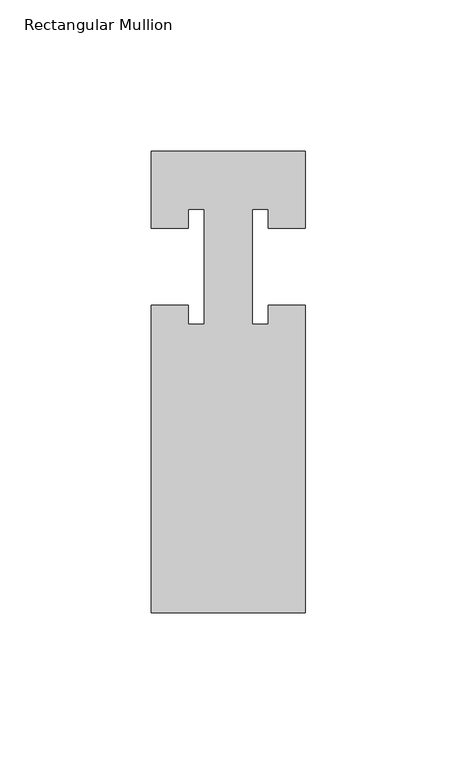
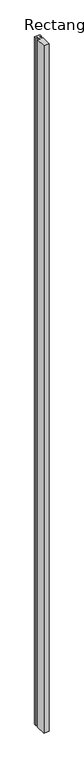
"""IFC4 building model written with IfcOpenShell, lengths in millimetres: member geometry, Rectangular Mullion."""

from ifc_helpers import new_model, si_unit, frame, origin, place, context, project, spatial, polyline, outline, extrude, source, transform, mapped, element, save


def rectangular_mullion_a1e837e8(model_context):
    return source(origin(), model_context, "Body", "SweptSolid", [
        extrude(outline(polyline([(-25.7946026, 0.0), (25.0053974, 0.0), (25.0053974, -25.4), (12.8133974, -25.4), (12.8133974, -19.05), (7.5555974, -19.05), (7.5555974, -57.15), (12.8133974, -57.15), (12.8133974, -50.8), (25.0053974, -50.8), (25.0053974, -152.4), (-25.7946026, -152.4), (-25.7946026, -50.8), (-13.6026026, -50.8), (-13.6026026, -57.15), (-8.3448026, -57.15), (-8.3448026, -19.05), (-13.6026026, -19.05), (-13.6026026, -25.4), (-25.7946026, -25.4), (-25.7946026, 0.0)])), frame((0.0, 0.0, -7010.4), z_axis=(0.0, 0.0, 1.0), x_axis=(1.0, 0.0, 0.0)), (0.0, 0.0, 1.0), 7010.4),
    ])


if __name__ == "__main__":
    model = new_model("IFC4")
    model_context = context("Model", 3, world=origin())
    ifc_project = project(units=[si_unit("LENGTHUNIT", "METRE", prefix="MILLI")], contexts=[model_context])
    site = spatial("IfcSite", under=ifc_project)
    building = spatial("IfcBuilding", under=site)
    placement = place(None, origin())
    rectangular_mullion_shape = rectangular_mullion_a1e837e8(model_context)
    element("IfcMember", 1, ObjectType="Rectangular Mullion", at=placement, inside=building, context=model_context, shape_type="MappedRepresentation", body=[
        mapped(rectangular_mullion_shape, transform((0.0, 0.0, 0.0), x_axis=(1.0, 0.0, 0.0), y_axis=(0.0, 1.0, 0.0), z_axis=(0.0, 0.0, 1.0))),
    ])
    save(model, "model.ifc")
